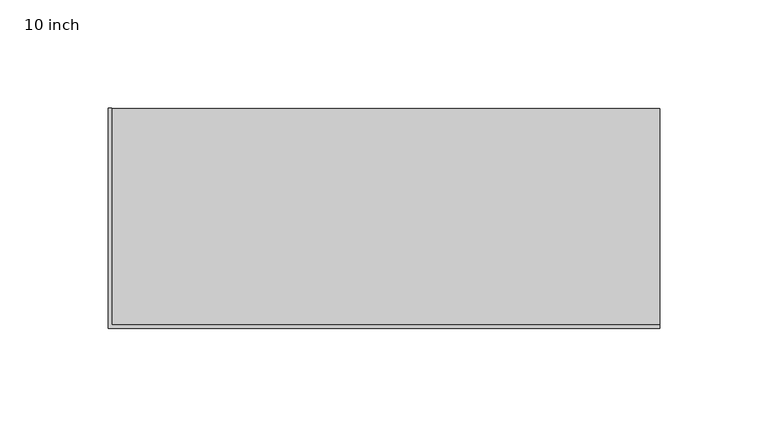
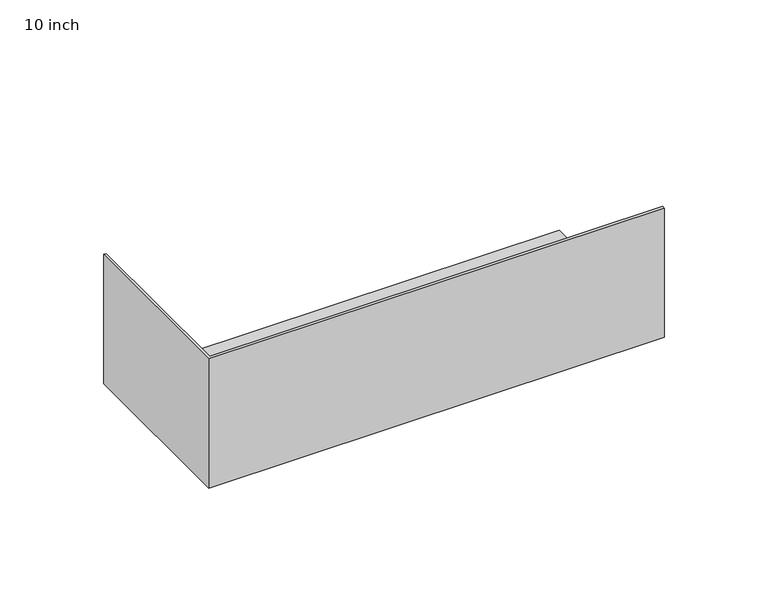
"""IFC4 building model written with IfcOpenShell, lengths in millimetres: proxy geometry, 10 inch."""

from ifc_helpers import new_model, si_unit, origin, place, context, project, spatial, faceted_brep, source, transform, mapped, element, save


def proxy_10_inch_f9d91d73(model_context):
    return source(origin(), model_context, "Body", "Brep", [
        faceted_brep([(254.0, 101.6, 1.5875), (1.5875, 101.6, 1.5875), (1.5875, 1.5875, 1.5875), (254.0, 1.5875, 1.5875), (254.0, 101.6, 0.0), (254.0, 0.0, 0.0), (0.0, 0.0, 0.0), (0.0, 101.6, 0.0), (0.0, 101.6, 76.2), (1.5875, 101.6, 76.2), (0.0, 0.0, 76.2), (254.0, 0.0, 76.2), (254.0, 1.5875, 76.2), (1.5875, 1.5875, 76.2)], [[[0, 1, 2, 3]], [[4, 5, 6, 7]], [[0, 4, 7, 8, 9, 1]], [[8, 7, 6, 10]], [[10, 6, 5, 11]], [[4, 0, 3, 12, 11, 5]], [[10, 11, 12, 13, 9, 8]], [[13, 12, 3, 2]], [[9, 13, 2, 1]]]),
    ])


if __name__ == "__main__":
    model = new_model("IFC4")
    model_context = context("Model", 3, world=origin())
    ifc_project = project(units=[si_unit("LENGTHUNIT", "METRE", prefix="MILLI")], contexts=[model_context])
    site = spatial("IfcSite", under=ifc_project)
    building = spatial("IfcBuilding", under=site)
    placement = place(None, origin())
    proxy_10_inch_shape = proxy_10_inch_f9d91d73(model_context)
    element("IfcBuildingElementProxy", 1, Name="10 inch", ObjectType="10 inch", at=placement, inside=building, context=model_context, shape_type="MappedRepresentation", body=[
        mapped(proxy_10_inch_shape, transform((0.0, 0.0, 0.0), x_axis=(1.0, 0.0, 0.0), y_axis=(0.0, 1.0, 0.0), z_axis=(0.0, 0.0, 1.0))),
    ])
    save(model, "model.ifc")
